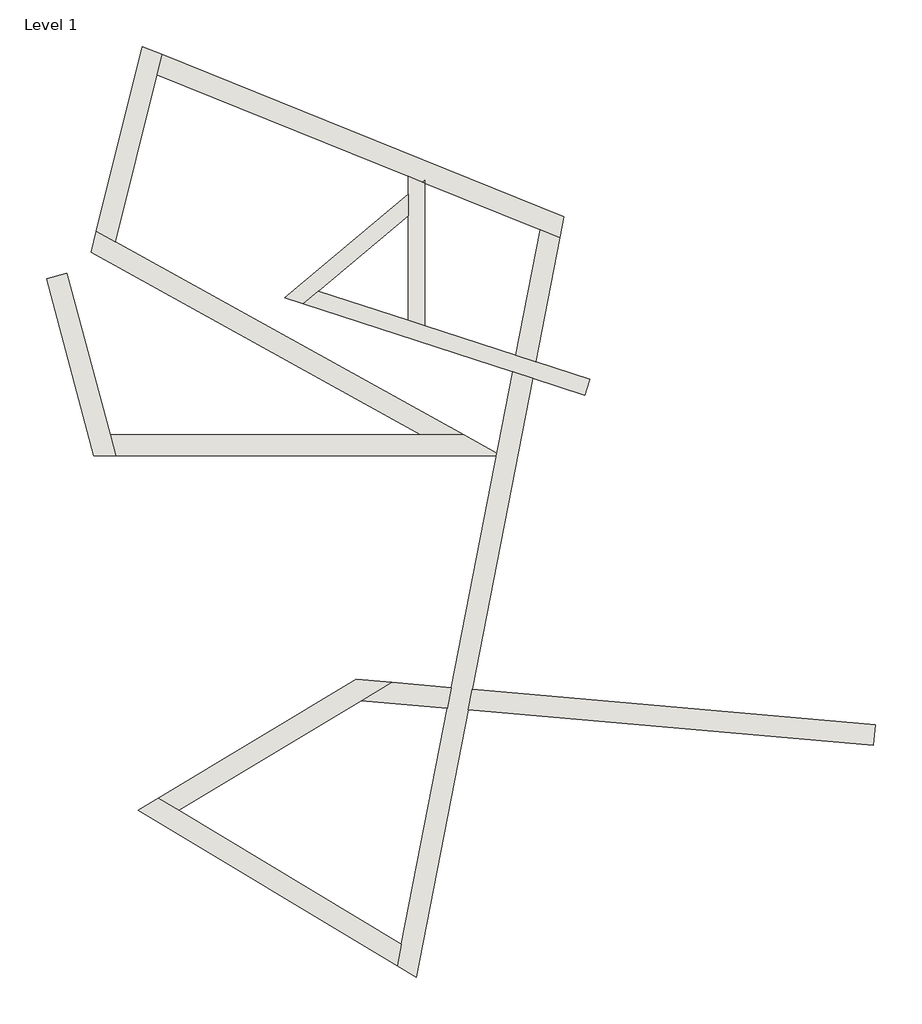
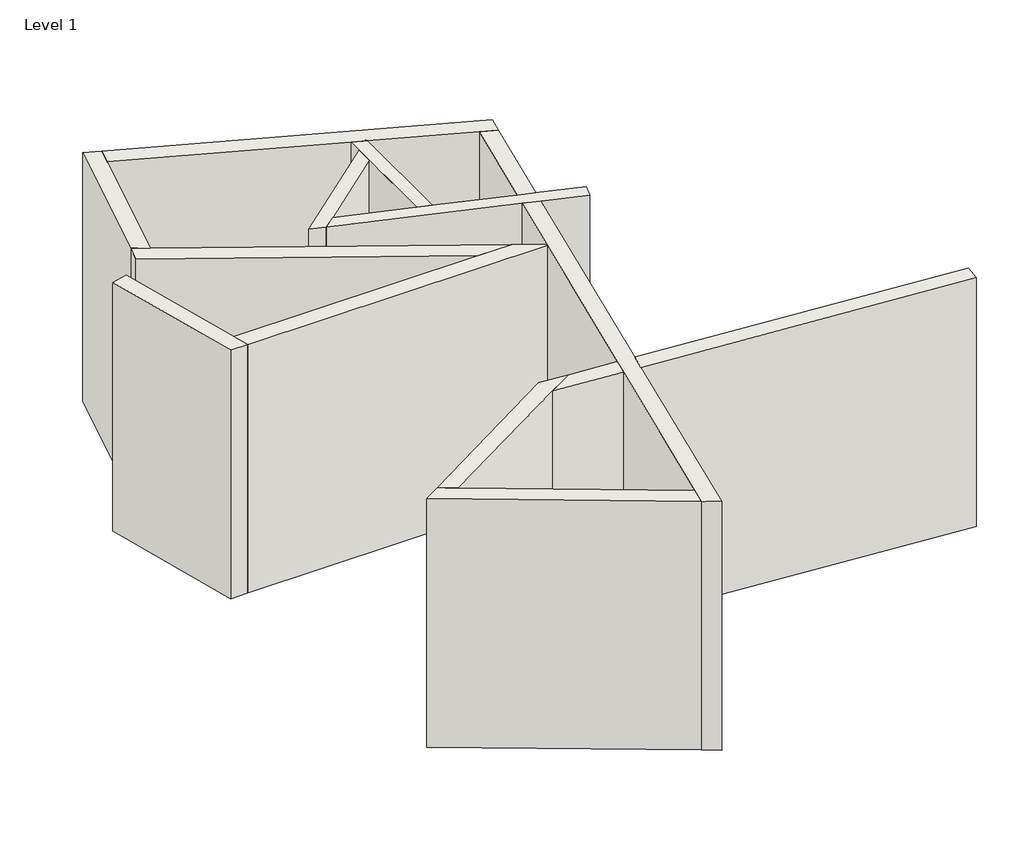
# One storey: 13 walls.
"""IFC4 building model written with IfcOpenShell, lengths in millimetres."""

from ifc_helpers import new_model, si_unit, frame, origin, place, context, project, spatial, polyline, outline, extrude, faceted_brep, element, save

model = new_model("IFC4")

# Units and contexts
model_context = context("Model", 3, world=origin())
ifc_project = project(units=[si_unit("LENGTHUNIT", "METRE", prefix="MILLI")], contexts=[model_context])

# Site, building, storey
site = spatial("IfcSite", under=ifc_project)
building = spatial("IfcBuilding", under=site)
storey = spatial("IfcBuildingStorey", under=building, Name="Level 1", Elevation=0.0)

# Walls
placement = place(None, origin())
element("IfcWall", 1, ObjectType="Wall 1", at=placement, inside=storey, context=model_context, shape_type="SweptSolid", body=[
    extrude(outline(polyline([(3245.6982544, 2031.5977184), (3245.6982544, 3757.0879746), (3445.6982544, 3676.2827294), (3445.6982544, 1966.6137792), (3245.6982544, 2031.5977184)])), frame((0.0, 0.0, -4000.0), z_axis=(0.0, 0.0, 1.0), x_axis=(1.0, 0.0, 0.0)), (0.0, 0.0, 1.0), 4000.0),
])
element("IfcWall", 2, ObjectType="Wall 1", at=placement, inside=storey, context=model_context, shape_type="Brep", body=[
    faceted_brep([(3445.6982544, 1966.6137792, -4000.0), (3445.6982544, 3713.4531858, -4000.0), (3445.6982544, 3713.4531858, 0.0), (3445.6982544, 1966.6137792, 0.0), (3245.6982544, 2031.5977184, -4000.0), (3245.6982544, 2031.5977184, 0.0), (3245.6982544, 3284.5518017, 0.0), (3245.6982544, 3545.6332596, 0.0), (3245.6982544, 3545.6332596, -4000.0), (3245.6982544, 3284.5518017, -4000.0)], [[[0, 1, 2, 3]], [[4, 5, 6, 7, 8, 9]], [[1, 0, 4, 9, 8]], [[3, 2, 7, 6, 5]], [[2, 1, 8, 7]], [[0, 3, 5, 4]]]),
])
element("IfcWall", 3, ObjectType="Wall 1", at=placement, inside=storey, context=model_context, shape_type="Brep", body=[
    faceted_brep([(3245.6982544, 3545.6332596, -4000.0), (1764.34142, 2302.6272862, -4000.0), (1764.34142, 2302.6272862, 0.0), (3245.6982544, 3545.6332596, 0.0), (3245.6982544, 3284.5518017, -4000.0), (3245.6982544, 3284.5518017, 0.0), (2169.2950935, 2381.3423065, 0.0), (1988.6344809, 2229.750053, 0.0), (1988.6344809, 2229.750053, -4000.0), (2169.2950935, 2381.3423065, -4000.0)], [[[0, 1, 2, 3]], [[4, 5, 6, 7, 8, 9]], [[1, 0, 4, 9, 8]], [[3, 2, 7, 6, 5]], [[0, 3, 5, 4]], [[2, 1, 8, 7]]]),
])
element("IfcWall", 4, ObjectType="Wall 1", at=placement, inside=storey, context=model_context, shape_type="Brep", body=[
    faceted_brep([(1988.6344809, 2229.750053, -4000.0), (4496.4122756, 1414.9236537, -4000.0), (4735.9619718, 1337.0892392, -4000.0), (5359.720016, 1134.417965, -4000.0), (5359.720016, 1134.417965, 0.0), (4735.9619718, 1337.0892392, 0.0), (4496.4122756, 1414.9236537, 0.0), (1988.6344809, 2229.750053, 0.0), (2169.2950935, 2381.3423065, -4000.0), (2169.2950935, 2381.3423065, 0.0), (3245.6982544, 2031.5977184, 0.0), (3445.6982544, 1966.6137792, 0.0), (4534.8606631, 1612.7234602, 0.0), (4774.4103593, 1534.8890456, 0.0), (5421.5234148, 1324.6292682, 0.0), (5421.5234148, 1324.6292682, -4000.0), (4774.4103593, 1534.8890456, -4000.0), (4534.8606631, 1612.7234602, -4000.0), (3445.6982544, 1966.6137792, -4000.0), (3245.6982544, 2031.5977184, -4000.0)], [[[0, 1, 2, 3, 4, 5, 6, 7]], [[8, 9, 10, 11, 12, 13, 14, 15, 16, 17, 18, 19]], [[3, 2, 1, 0, 8, 19, 18, 17, 16, 15]], [[4, 3, 15, 14]], [[7, 6, 5, 4, 14, 13, 12, 11, 10, 9]], [[0, 7, 9, 8]]]),
])
element("IfcWall", 5, ObjectType="Wall 2", at=placement, inside=storey, context=model_context, shape_type="Brep", body=[
    faceted_brep([(-1086.5761398, 2532.1114598, -4000.0), (-518.2312903, 411.0196052, -4000.0), (-518.2312903, 411.0196052, 0.0), (-1086.5761398, 2532.1114598, 0.0), (-845.0946832, 2596.816221, -4000.0), (-845.0946832, 2596.816221, 0.0), (-326.3995433, 661.0196052, 0.0), (-259.4122452, 411.0196052, 0.0), (-259.4122452, 411.0196052, -4000.0), (-326.3995433, 661.0196052, -4000.0)], [[[0, 1, 2, 3]], [[4, 5, 6, 7, 8, 9]], [[1, 0, 4, 9, 8]], [[3, 2, 7, 6, 5]], [[0, 3, 5, 4]], [[2, 1, 8, 7]]]),
])
element("IfcWall", 6, ObjectType="Wall 2", at=placement, inside=storey, context=model_context, shape_type="Brep", body=[
    faceted_brep([(-259.4122452, 411.0196052, -4000.0), (4361.0237201, 411.0196052, -4000.0), (4361.0237201, 411.0196052, 0.0), (-259.4122452, 411.0196052, 0.0), (-326.3995433, 661.0196052, -4000.0), (-326.3995433, 661.0196052, 0.0), (3394.3454464, 661.0196052, 0.0), (3910.0117813, 661.0196052, 0.0), (3910.0117813, 661.0196052, -4000.0), (3394.3454464, 661.0196052, -4000.0)], [[[0, 1, 2, 3]], [[4, 5, 6, 7, 8, 9]], [[1, 0, 4, 9, 8]], [[3, 2, 7, 6, 5]], [[0, 3, 5, 4]], [[2, 1, 8, 7]]]),
])
element("IfcWall", 7, ObjectType="Wall 2", at=placement, inside=storey, context=model_context, shape_type="Brep", body=[
    faceted_brep([(3910.0117813, 661.0196052, -4000.0), (-263.460866, 2974.4132696, -4000.0), (-489.8291034, 3099.8912326, -4000.0), (-489.8291034, 3099.8912326, 0.0), (-263.460866, 2974.4132696, 0.0), (3910.0117813, 661.0196052, 0.0), (3394.3454464, 661.0196052, -4000.0), (3394.3454464, 661.0196052, 0.0), (-552.4430975, 2848.7602192, 0.0), (-552.4430975, 2848.7602192, -4000.0)], [[[0, 1, 2, 3, 4, 5]], [[6, 7, 8, 9]], [[2, 1, 0, 6, 9]], [[5, 4, 3, 8, 7]], [[0, 5, 7, 6]], [[3, 2, 9, 8]]]),
])
element("IfcWall", 8, ObjectType="Wall 2", at=placement, inside=storey, context=model_context, shape_type="Brep", body=[
    faceted_brep([(-263.460866, 2974.4132696, -4000.0), (234.9679307, 4973.5019842, -4000.0), (296.0427809, 5218.4598287, -4000.0), (296.0427809, 5218.4598287, 0.0), (234.9679307, 4973.5019842, 0.0), (-263.460866, 2974.4132696, 0.0), (-489.8291034, 3099.8912326, -4000.0), (-489.8291034, 3099.8912326, 0.0), (61.9688256, 5313.0318454, 0.0), (61.9688256, 5313.0318454, -4000.0)], [[[0, 1, 2, 3, 4, 5]], [[6, 7, 8, 9]], [[2, 1, 0, 6, 9]], [[5, 4, 3, 8, 7]], [[0, 5, 7, 6]], [[3, 2, 9, 8]]]),
])
element("IfcWall", 9, ObjectType="Wall 2", at=placement, inside=storey, context=model_context, shape_type="Brep", body=[
    faceted_brep([(234.9679307, 4973.5019842, -4000.0), (3245.6982544, 3757.0879746, -4000.0), (3445.6982544, 3676.2827294, -4000.0), (4827.4596743, 3118.0148779, -4000.0), (5063.5940922, 3022.6103802, -4000.0), (5063.5940922, 3022.6103802, 0.0), (4827.4596743, 3118.0148779, 0.0), (3445.6982544, 3676.2827294, 0.0), (3245.6982544, 3757.0879746, 0.0), (234.9679307, 4973.5019842, 0.0), (296.0427809, 5218.4598287, -4000.0), (296.0427809, 5218.4598287, 0.0), (5112.1891695, 3272.6103802, 0.0), (5112.1891695, 3272.6103802, -4000.0)], [[[0, 1, 2, 3, 4, 5, 6, 7, 8, 9]], [[10, 11, 12, 13]], [[4, 3, 2, 1, 0, 10, 13]], [[9, 8, 7, 6, 5, 12, 11]], [[0, 9, 11, 10]], [[5, 4, 13, 12]]]),
])
element("IfcWall", 10, ObjectType="Wall 2", at=placement, inside=storey, context=model_context, shape_type="Brep", body=[
    faceted_brep([(4827.4596743, 3118.0148779, 0.0), (4827.4596743, 3118.0148779, -4000.0), (4534.8606631, 1612.7234602, -4000.0), (4534.8606631, 1612.7234602, 0.0), (5063.5940922, 3022.6103802, -4000.0), (5063.5940922, 3022.6103802, 0.0), (4774.4103593, 1534.8890456, 0.0), (4774.4103593, 1534.8890456, -4000.0)], [[[0, 1, 2, 3]], [[4, 5, 6, 7]], [[1, 4, 7, 2]], [[5, 0, 3, 6]], [[1, 0, 5, 4]], [[3, 2, 7, 6]]]),
    faceted_brep([(3113.1393285, -5701.3987417, -4000.0), (3113.1393285, -5701.3987417, 0.0), (3163.9030014, -5440.2422844, 0.0), (3713.4843353, -2612.8914256, 0.0), (3761.4493415, -2366.1328605, 0.0), (4496.4122756, 1414.9236537, 0.0), (4496.4122756, 1414.9236537, -4000.0), (3761.4493415, -2366.1328605, -4000.0), (3713.4843353, -2612.8914256, -4000.0), (3163.9030014, -5440.2422844, -4000.0), (3341.1839256, -5838.4217596, 0.0), (3341.1839256, -5838.4217596, -4000.0), (3963.9048396, -2634.8003809, -4000.0), (4011.8698457, -2388.0418158, -4000.0), (4735.9619718, 1337.0892392, -4000.0), (4735.9619718, 1337.0892392, 0.0), (4011.8698457, -2388.0418158, 0.0), (3963.9048396, -2634.8003809, 0.0)], [[[0, 1, 2, 3, 4, 5, 6, 7, 8, 9]], [[10, 11, 12, 13, 14, 15, 16, 17]], [[11, 0, 9, 8, 7, 6, 14, 13, 12]], [[1, 10, 17, 16, 15, 5, 4, 3, 2]], [[6, 5, 15, 14]], [[1, 0, 11, 10]]]),
])
element("IfcWall", 11, ObjectType="Wall 2", at=placement, inside=storey, context=model_context, shape_type="Brep", body=[
    faceted_brep([(3163.9030014, -5440.2422844, -4000.0), (495.1584143, -3836.6987598, -4000.0), (252.457911, -3690.8695851, -4000.0), (252.457911, -3690.8695851, 0.0), (495.1584143, -3836.6987598, 0.0), (3163.9030014, -5440.2422844, 0.0), (3113.1393285, -5701.3987417, -4000.0), (3113.1393285, -5701.3987417, 0.0), (9.7574077, -3836.6987598, 0.0), (9.7574077, -3836.6987598, -4000.0)], [[[0, 1, 2, 3, 4, 5]], [[6, 7, 8, 9]], [[2, 1, 0, 6, 9]], [[5, 4, 3, 8, 7]], [[0, 5, 7, 6]], [[3, 2, 9, 8]]]),
])
element("IfcWall", 12, ObjectType="Wall 2", at=placement, inside=storey, context=model_context, shape_type="Brep", body=[
    faceted_brep([(495.1584143, -3836.6987598, -4000.0), (2682.092295, -2522.6563145, -4000.0), (3046.6673236, -2303.5975371, -4000.0), (3046.6673236, -2303.5975371, 0.0), (2682.092295, -2522.6563145, 0.0), (495.1584143, -3836.6987598, 0.0), (252.457911, -3690.8695851, -4000.0), (252.457911, -3690.8695851, 0.0), (2622.960411, -2266.5279856, 0.0), (2622.960411, -2266.5279856, -4000.0)], [[[0, 1, 2, 3, 4, 5]], [[6, 7, 8, 9]], [[2, 1, 0, 6, 9]], [[5, 4, 3, 8, 7]], [[0, 5, 7, 6]], [[3, 2, 9, 8]]]),
])
element("IfcWall", 13, ObjectType="Wall 2", at=placement, inside=storey, context=model_context, shape_type="SweptSolid", body=[
    extrude(outline(polyline([(8839.827949, -2810.4334178), (8818.0390133, -3059.4820923), (3963.9048396, -2634.8003809), (4011.8698457, -2388.0418158), (8839.827949, -2810.4334178)])), frame((0.0, 0.0, -4000.0), z_axis=(0.0, 0.0, 1.0), x_axis=(1.0, 0.0, 0.0)), (0.0, 0.0, 1.0), 4000.0),
    extrude(outline(polyline([(2682.092295, -2522.6563145), (3046.6673236, -2303.5975371), (3761.4493415, -2366.1328605), (3713.4843353, -2612.8914256), (2682.092295, -2522.6563145)])), frame((0.0, 0.0, -4000.0), z_axis=(0.0, 0.0, 1.0), x_axis=(1.0, 0.0, 0.0)), (0.0, 0.0, 1.0), 4000.0),
])

save(model, "model.ifc")
